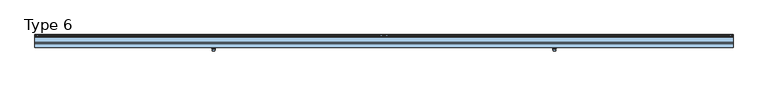
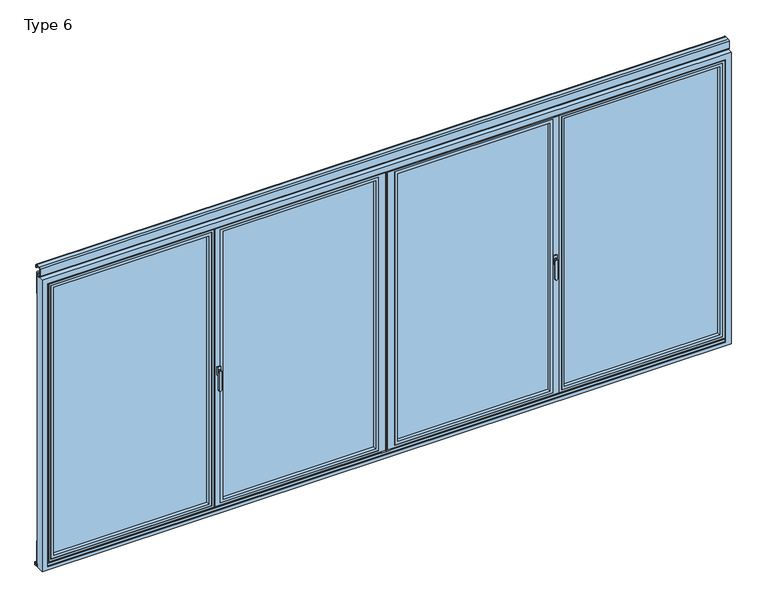
"""IFC4 building model written with IfcOpenShell, lengths in millimetres: window geometry, Type 6."""

from ifc_helpers import new_model, si_unit, point, frame, frame_2d, origin, place, context, project, spatial, polyline, circle_curve, trimmed, segment, composite_curve, outline, extrude, faceted_brep, source, transform, mapped, element, save
from ifc_brep_helpers import plane_surface, revolved_surface, advanced_brep


def type_6_7a0090e0(model_context):
    return source(origin(), model_context, "Body", "SolidModel", [
        advanced_brep(
        [(-1157.25, -4.0, 896.6867153), (-1157.25, -4.0, 1028.0), (-1175.25, -4.0, 1028.0), (-1175.25, -4.0, 896.6867153), (-1156.25, 3.5, 896.6867153), (-1176.25, 3.5, 896.6867153), (-1176.25, 3.5, 1028.0), (-1156.25, 3.5, 1028.0), (-1155.25, 11.0, 1028.0), (-1177.25, 11.0, 1028.0)],
        [
            (0, 1),
            (1, 2, circle_curve(frame((-1166.25, -4.0, 1028.0), z_axis=(0.0, -1.0, 0.0), x_axis=(-1.0, 0.0, 0.0)), 9.0)),
            (2, 3),
            (3, 0, circle_curve(frame((-1166.25, -4.0, 896.6867153), z_axis=(0.0, -1.0, 0.0), x_axis=(1.0, 0.0, 0.0)), 9.0)),
            (4, 5, circle_curve(frame((-1166.25, 3.5, 896.6867153), z_axis=(0.0, 1.0, 0.0), x_axis=(1.0, 0.0, 0.0)), 10.0)),
            (5, 6),
            (6, 7, circle_curve(frame((-1166.25, 3.5, 1028.0), z_axis=(0.0, -1.0, 0.0), x_axis=(-1.0, 0.0, 0.0)), 10.0)),
            (7, 4),
            (3, 5),
            (4, 0),
            (2, 6),
            (1, 7),
            (7, 6, circle_curve(frame((-1166.25, 3.5, 1028.0), z_axis=(0.0, -1.0, 0.0), x_axis=(-1.0, 0.0, 0.0)), 10.0)),
            (8, 9, circle_curve(frame((-1166.25, 11.0, 1028.0), z_axis=(0.0, 1.0, 0.0), x_axis=(-1.0, 0.0, 0.0)), 11.0)),
            (9, 8, circle_curve(frame((-1166.25, 11.0, 1028.0), z_axis=(0.0, 1.0, 0.0), x_axis=(1.0, 0.0, 0.0)), 11.0)),
            (9, 6),
            (7, 8),
        ],
        [
            plane_surface(frame((-1166.25, -4.0, 962.3433576), z_axis=(0.0, -1.0, 0.0), x_axis=(0.0, 0.0, -1.0))),
            plane_surface(frame((-1166.25, 3.5, 962.3433576), z_axis=(0.0, 1.0, 0.0), x_axis=(0.0, 0.0, -1.0))),
            revolved_surface(polyline([(-1175.25, -4.0, 896.6867153), (-1176.25, 3.5, 896.6867153)]), (-1166.25, -71.5, 896.6867153), (0.0, 1.0, 0.0)),
            plane_surface(frame((-1176.25, 3.5, 962.3433576), z_axis=(-0.9912279006826277, -0.1321637200910704, 0.0), x_axis=(0.0, 0.0, 1.0))),
            revolved_surface(polyline([(-1157.25, -4.0, 1028.0), (-1156.25, 3.5, 1028.0)]), (-1166.25, -71.5, 1028.0), (0.0, 1.0, 0.0)),
            plane_surface(frame((-1156.25, 3.5, 962.3433576), z_axis=(0.9912279006826291, -0.1321637200910603, 0.0), x_axis=(0.0, 0.0, -1.0))),
            plane_surface(frame((-1166.25, 11.0, 1028.0), z_axis=(0.0, 1.0, 0.0), x_axis=(0.0, 0.0, 1.0))),
            revolved_surface(polyline([(-1176.25, 3.5, 1028.0), (-1177.25, 11.0, 1028.0)]), (-1166.25, -71.5, 1028.0), (0.0, 1.0, 0.0)),
            revolved_surface(polyline([(-1156.25, 3.5, 1028.0), (-1155.25, 11.0, 1028.0)]), (-1166.25, -71.5, 1028.0), (0.0, 1.0, 0.0)),
        ],
        [
            (0, [[1, 2, 3, 4]]),
            (1, [[5, 6, 7, 8]]),
            (2, [[9, -5, 10, -4]]),
            (3, [[11, -6, -9, -3]]),
            (4, [[12, 13, -11, -2]]),
            (5, [[-10, -8, -12, -1]]),
            (6, [[14, 15]]),
            (7, [[16, -13, 17, -15]]),
            (8, [[-17, -7, -16, -14]]),
        ],
    ),
        extrude(outline(polyline([(-1178.25, 11.0), (-1178.25, 20.0), (-1154.25, 20.0), (-1154.25, 11.0), (-1178.25, 11.0)])), frame((0.0, 0.0, 998.0), z_axis=(0.0, 0.0, 1.0), x_axis=(1.0, 0.0, 0.0)), (0.0, 0.0, 1.0), 60.0),
        faceted_brep([(-1168.75, 80.0, 10.0), (-1168.75, 80.0, 35.0), (-1168.75, 80.0, 2070.0), (-1168.75, 80.0, 2095.0), (-9.0, 80.0, 2095.0), (-9.0, 80.0, 2070.0), (-9.0, 80.0, 35.0), (-9.0, 80.0, 10.0), (-79.0, 80.0, 72.5), (-79.0, 80.0, 2032.5), (-1131.25, 80.0, 2032.5), (-1131.25, 80.0, 72.5), (-1193.75, 20.0, 35.0), (-9.0, 20.0, 35.0), (-9.0, 20.0, 2070.0), (-1193.75, 20.0, 2070.0), (-1153.75, 20.0, 50.0), (-1153.75, 20.0, 2055.0), (-56.5, 20.0, 2055.0), (-56.5, 20.0, 50.0), (-56.5, 72.75, 2055.0), (-56.5, 72.75, 50.0), (-1153.75, 72.75, 50.0), (-1153.75, 72.75, 2055.0), (-1131.25, 72.75, 72.5), (-1131.25, 72.75, 2032.5), (-79.0, 72.75, 2032.5), (-79.0, 72.75, 72.5), (-9.0, 73.0, 10.0), (-1168.75, 73.0, 10.0), (-1193.75, 27.0, 35.0), (-1178.75, 27.0, 35.0), (-31.5, 27.0, 35.0), (-9.0, 27.0, 35.0), (-1168.75, 73.0, 25.0), (-1168.75, 73.0, 35.0), (-1168.75, 73.0, 2070.0), (-1168.75, 73.0, 2080.0), (-1168.75, 73.0, 2095.0), (-1178.75, 73.0, 2080.0), (-1178.75, 73.0, 25.0), (-31.5, 73.0, 25.0), (-31.5, 73.0, 35.0), (-31.5, 73.0, 2070.0), (-31.5, 73.0, 2080.0), (-31.5, 27.0, 2080.0), (-31.5, 27.0, 2070.0), (-31.5, 27.0, 25.0), (-1178.75, 27.0, 25.0), (-1178.75, 27.0, 2070.0), (-1178.75, 27.0, 2080.0), (-1193.75, 27.0, 2070.0), (-9.0, 27.0, 2070.0), (-9.0, 73.0, 35.0), (-9.0, 73.0, 2070.0), (-9.0, 73.0, 2095.0)], [[[0, 1, 2, 3, 4, 5, 6, 7], [8, 9, 10, 11]], [[12, 13, 14, 15], [16, 17, 18, 19]], [[19, 18, 20, 21]], [[21, 22, 16, 19]], [[22, 23, 17, 16]], [[21, 20, 23, 22], [24, 25, 26, 27]], [[27, 26, 9, 8]], [[8, 11, 24, 27]], [[11, 10, 25, 24]], [[23, 20, 18, 17]], [[10, 9, 26, 25]], [[28, 29, 0, 7]], [[30, 31, 32, 33, 13, 12]], [[29, 34, 35, 36, 37, 38, 3, 2, 1, 0]], [[39, 37, 36, 35, 34, 40]], [[41, 42, 43, 44, 45, 46, 32, 47]], [[47, 48, 40, 34, 41]], [[48, 31, 49, 50, 39, 40]], [[50, 45, 44, 37, 39]], [[51, 49, 31, 30]], [[33, 32, 46, 52]], [[14, 13, 33, 52]], [[50, 49, 46, 45]], [[47, 32, 31, 48]], [[29, 28, 53, 54, 55, 38, 37, 44, 43, 42, 41, 34]], [[4, 3, 38, 55]], [[14, 52, 46, 49, 51, 15]], [[55, 54, 53, 28, 7, 6, 5, 4]], [[12, 15, 51, 30]]]),
        extrude(outline(polyline([(-56.5, 72.75), (-56.5, 44.75), (-1153.75, 44.75), (-1153.75, 72.75), (-56.5, 72.75)])), frame((0.0, 0.0, 50.0), z_axis=(0.0, 0.0, 1.0), x_axis=(1.0, 0.0, 0.0)), (0.0, 0.0, 1.0), 2005.0),
        extrude(outline(polyline([(2055.0, -56.5), (2055.0, -1153.75), (50.0, -1153.75), (50.0, -56.5), (2055.0, -56.5)]), holes=[polyline([(2035.0009231, -1133.7509231), (2035.0009231, -76.4990769), (69.9990769, -76.4990769), (69.9990769, -1133.7509231), (2035.0009231, -1133.7509231)])]), frame((0.0, 20.5, 0.0), z_axis=(0.0, 1.0, 0.0), x_axis=(0.0, 0.0, 1.0)), (0.0, 0.0, 1.0), 24.25),
        extrude(outline(composite_curve([segment(trimmed(circle_curve(frame_2d((-20.0, 93.5)), 10.0), [point((-10.0, 93.5))], [point((-30.0, 93.5))], False, "CARTESIAN"), True, "CONTINUOUS"), segment(trimmed(circle_curve(frame_2d((-20.0, 93.5)), 10.0), [point((-30.0, 93.5))], [point((-10.0, 93.5))], False, "CARTESIAN"), True, "CONTINUOUS")], self_intersect=False)), frame((0.0, 0.0, -12.0640378), z_axis=(0.0, 0.0, 1.0), x_axis=(1.0, 0.0, 0.0)), (0.0, 0.0, 1.0), 166.5636122),
        extrude(outline(composite_curve([segment(trimmed(circle_curve(frame_2d((-20.0, 93.5)), 10.0), [point((-30.0, 93.5))], [point((-10.0, 93.5))], False, "CARTESIAN"), True, "CONTINUOUS"), segment(trimmed(circle_curve(frame_2d((-20.0, 93.5)), 10.0), [point((-10.0, 93.5))], [point((-30.0, 93.5))], False, "CARTESIAN"), True, "CONTINUOUS")], self_intersect=False)), frame((0.0, 0.0, 1972.5), z_axis=(0.0, 0.0, 1.0), x_axis=(1.0, 0.0, 0.0)), (0.0, 0.0, 1.0), 153.5),
        advanced_brep(
        [(1157.25, -4.0, 896.6867153), (1175.25, -4.0, 896.6867153), (1175.25, -4.0, 1028.0), (1157.25, -4.0, 1028.0), (1156.25, 3.5, 896.6867153), (1156.25, 3.5, 1028.0), (1176.25, 3.5, 1028.0), (1176.25, 3.5, 896.6867153), (1155.25, 11.0, 1028.0), (1177.25, 11.0, 1028.0)],
        [
            (0, 1, circle_curve(frame((1166.25, -4.0, 896.6867153), z_axis=(0.0, -1.0, 0.0), x_axis=(-1.0000000000000009, 0.0, 0.0)), 9.0)),
            (1, 2),
            (2, 3, circle_curve(frame((1166.25, -4.0, 1028.0), z_axis=(0.0, -1.0, 0.0), x_axis=(1.0000000000000009, 0.0, 0.0)), 9.0)),
            (3, 0),
            (4, 5),
            (5, 6, circle_curve(frame((1166.25, 3.5, 1028.0), z_axis=(0.0, -1.0, 0.0), x_axis=(1.0000000000000009, 0.0, 0.0)), 10.0)),
            (6, 7),
            (7, 4, circle_curve(frame((1166.25, 3.5, 896.6867153), z_axis=(0.0, 1.0, 0.0), x_axis=(-1.0000000000000009, 0.0, 0.0)), 10.0)),
            (0, 4),
            (7, 1),
            (6, 2),
            (6, 5, circle_curve(frame((1166.25, 3.5, 1028.0), z_axis=(0.0, -1.0, 0.0), x_axis=(1.0000000000000009, 0.0, 0.0)), 10.0)),
            (5, 3),
            (8, 9, circle_curve(frame((1166.25, 11.0, 1028.0), z_axis=(0.0, 1.0, 0.0), x_axis=(-1.0000000000000009, 0.0, 0.0)), 11.0)),
            (9, 8, circle_curve(frame((1166.25, 11.0, 1028.0), z_axis=(0.0, 1.0, 0.0), x_axis=(1.0000000000000009, 0.0, 0.0)), 11.0)),
            (8, 5),
            (6, 9),
        ],
        [
            plane_surface(frame((1166.25, -4.0, 962.3433576), z_axis=(0.0, -1.0, 0.0), x_axis=(0.0, 0.0, -1.0))),
            plane_surface(frame((1166.25, 3.5, 962.3433576), z_axis=(0.0, 1.0, 0.0), x_axis=(0.0, 0.0, -1.0))),
            revolved_surface(polyline([(1157.25, -4.0, 896.6867153), (1156.25, 3.5, 896.6867153)]), (1166.25, -71.5, 896.6867153), (0.0, 1.0000000000000009, 0.0)),
            plane_surface(frame((1176.25, 3.5, 962.3433576), z_axis=(0.9912279006826268, -0.1321637200910768, 0.0), x_axis=(0.0, 0.0, 1.0))),
            revolved_surface(polyline([(1175.25, -4.0, 1028.0), (1176.25, 3.5, 1028.0)]), (1166.25, -71.5, 1028.0), (0.0, 1.0000000000000009, 0.0)),
            plane_surface(frame((1156.25, 3.5, 962.3433576), z_axis=(-0.99122790068263, -0.13216372009105393, 0.0), x_axis=(0.0, 0.0, -1.0))),
            plane_surface(frame((1166.25, 11.0, 1028.0), z_axis=(0.0, 1.0, 0.0), x_axis=(0.0, 0.0, 1.0))),
            revolved_surface(polyline([(1176.25, 3.5, 1028.0), (1177.25, 11.0, 1028.0)]), (1166.25, -71.5, 1028.0), (0.0, 1.0000000000000009, 0.0)),
            revolved_surface(polyline([(1156.25, 3.5, 1028.0), (1155.25, 11.0, 1028.0)]), (1166.25, -71.5, 1028.0), (0.0, 1.0000000000000009, 0.0)),
        ],
        [
            (0, [[1, 2, 3, 4]]),
            (1, [[5, 6, 7, 8]]),
            (2, [[-1, 9, -8, 10]]),
            (3, [[-2, -10, -7, 11]]),
            (4, [[-3, -11, 12, 13]]),
            (5, [[-4, -13, -5, -9]]),
            (6, [[14, 15]]),
            (7, [[-14, 16, -12, 17]]),
            (8, [[-15, -17, -6, -16]]),
        ],
    ),
        extrude(outline(polyline([(1178.25, 11.0), (1154.25, 11.0), (1154.25, 20.0), (1178.25, 20.0), (1178.25, 11.0)])), frame((0.0, 0.0, 998.0), z_axis=(0.0, 0.0, 1.0), x_axis=(1.0, 0.0, 0.0)), (0.0, 0.0, 1.0), 60.0),
        faceted_brep([(1168.75, 80.0, 10.0), (9.0, 80.0, 10.0), (9.0, 80.0, 35.0), (9.0, 80.0, 2070.0), (9.0, 80.0, 2095.0), (1168.75, 80.0, 2095.0), (1168.75, 80.0, 2070.0), (1168.75, 80.0, 35.0), (79.0, 80.0, 72.5), (1131.25, 80.0, 72.5), (1131.25, 80.0, 2032.5), (79.0, 80.0, 2032.5), (1193.75, 20.0, 35.0), (1193.75, 20.0, 2070.0), (9.0, 20.0, 2070.0), (9.0, 20.0, 35.0), (1153.75, 20.0, 50.0), (56.5, 20.0, 50.0), (56.5, 20.0, 2055.0), (1153.75, 20.0, 2055.0), (56.5, 72.75, 50.0), (56.5, 72.75, 2055.0), (1153.75, 72.75, 50.0), (1153.75, 72.75, 2055.0), (1131.25, 72.75, 72.5), (79.0, 72.75, 72.5), (79.0, 72.75, 2032.5), (1131.25, 72.75, 2032.5), (9.0, 73.0, 10.0), (1168.75, 73.0, 10.0), (1193.75, 27.0, 35.0), (9.0, 27.0, 35.0), (31.5, 27.0, 35.0), (1178.75, 27.0, 35.0), (1178.75, 73.0, 2080.0), (1178.75, 73.0, 25.0), (1168.75, 73.0, 25.0), (1168.75, 73.0, 35.0), (1168.75, 73.0, 2070.0), (1168.75, 73.0, 2080.0), (31.5, 73.0, 25.0), (31.5, 27.0, 25.0), (31.5, 27.0, 2070.0), (31.5, 27.0, 2080.0), (31.5, 73.0, 2080.0), (31.5, 73.0, 2070.0), (31.5, 73.0, 35.0), (1178.75, 27.0, 25.0), (1178.75, 27.0, 2080.0), (1178.75, 27.0, 2070.0), (1193.75, 27.0, 2070.0), (9.0, 27.0, 2070.0), (1168.75, 73.0, 2095.0), (9.0, 73.0, 2095.0), (9.0, 73.0, 2070.0), (9.0, 73.0, 35.0)], [[[0, 1, 2, 3, 4, 5, 6, 7], [8, 9, 10, 11]], [[12, 13, 14, 15], [16, 17, 18, 19]], [[17, 20, 21, 18]], [[20, 17, 16, 22]], [[22, 16, 19, 23]], [[20, 22, 23, 21], [24, 25, 26, 27]], [[25, 8, 11, 26]], [[8, 25, 24, 9]], [[9, 24, 27, 10]], [[23, 19, 18, 21]], [[10, 27, 26, 11]], [[28, 1, 0, 29]], [[30, 12, 15, 31, 32, 33]], [[34, 35, 36, 37, 38, 39]], [[40, 41, 32, 42, 43, 44, 45, 46]], [[41, 40, 36, 35, 47]], [[47, 35, 34, 48, 49, 33]], [[41, 47, 33, 32]], [[48, 43, 42, 49]], [[48, 34, 39, 44, 43]], [[14, 13, 50, 49, 42, 51]], [[50, 30, 33, 49]], [[31, 51, 42, 32]], [[14, 51, 31, 15]], [[29, 0, 7, 6, 5, 52, 39, 38, 37, 36]], [[29, 36, 40, 46, 45, 44, 39, 52, 53, 54, 55, 28]], [[4, 53, 52, 5]], [[53, 4, 3, 2, 1, 28, 55, 54]], [[12, 30, 50, 13]]]),
        extrude(outline(polyline([(56.5, 72.75), (1153.75, 72.75), (1153.75, 44.75), (56.5, 44.75), (56.5, 72.75)])), frame((0.0, 0.0, 50.0), z_axis=(0.0, 0.0, 1.0), x_axis=(1.0, 0.0, 0.0)), (0.0, 0.0, 1.0), 2005.0),
        extrude(outline(polyline([(2055.0, 56.5), (50.0, 56.5), (50.0, 1153.75), (2055.0, 1153.75), (2055.0, 56.5)]), holes=[polyline([(2035.0009231, 1133.7509231), (69.9990769, 1133.7509231), (69.9990769, 76.4990769), (2035.0009231, 76.4990769), (2035.0009231, 1133.7509231)])]), frame((0.0, 20.5, 0.0), z_axis=(0.0, 1.0, 0.0), x_axis=(0.0, 0.0, 1.0)), (0.0, 0.0, 1.0), 24.25),
        extrude(outline(composite_curve([segment(trimmed(circle_curve(frame_2d((20.0, 93.5)), 10.0), [point((10.0, 93.5))], [point((30.0, 93.5))], False, "CARTESIAN"), True, "CONTINUOUS"), segment(trimmed(circle_curve(frame_2d((20.0, 93.5)), 10.0), [point((30.0, 93.5))], [point((10.0, 93.5))], False, "CARTESIAN"), True, "CONTINUOUS")], self_intersect=False)), frame((0.0, 0.0, -12.0640378), z_axis=(0.0, 0.0, 1.0), x_axis=(1.0, 0.0, 0.0)), (0.0, 0.0, 1.0), 166.5636122),
        extrude(outline(composite_curve([segment(trimmed(circle_curve(frame_2d((20.0, 93.5)), 10.0), [point((30.0, 93.5))], [point((10.0, 93.5))], False, "CARTESIAN"), True, "CONTINUOUS"), segment(trimmed(circle_curve(frame_2d((20.0, 93.5)), 10.0), [point((10.0, 93.5))], [point((30.0, 93.5))], False, "CARTESIAN"), True, "CONTINUOUS")], self_intersect=False)), frame((0.0, 0.0, 1972.5), z_axis=(0.0, 0.0, 1.0), x_axis=(1.0, 0.0, 0.0)), (0.0, 0.0, 1.0), 153.5),
        faceted_brep([(1173.75, 80.0, 10.0), (1173.75, 80.0, 35.0), (1173.75, 80.0, 2070.0), (1173.75, 80.0, 2095.0), (2370.0, 80.0, 2095.0), (2370.0, 80.0, 2070.0), (2370.0, 80.0, 35.0), (2370.0, 80.0, 10.0), (2307.5, 80.0, 72.5), (2307.5, 80.0, 2032.5), (1236.25, 80.0, 2032.5), (1236.25, 80.0, 72.5), (1198.75, 20.0, 35.0), (1203.75, 20.0, 35.0), (2340.0, 20.0, 35.0), (2345.0, 20.0, 35.0), (2345.0, 20.0, 2070.0), (2340.0, 20.0, 2070.0), (1203.75, 20.0, 2070.0), (1198.75, 20.0, 2070.0), (1213.75, 20.0, 50.0), (1213.75, 20.0, 2055.0), (2330.0, 20.0, 2055.0), (2330.0, 20.0, 50.0), (2330.0, 72.75, 2055.0), (2330.0, 72.75, 50.0), (1213.75, 72.75, 50.0), (1213.75, 72.75, 2055.0), (1236.25, 72.75, 72.5), (1236.25, 72.75, 2032.5), (2307.5, 72.75, 2032.5), (2307.5, 72.75, 72.5), (2370.0, 73.0, 10.0), (1173.75, 73.0, 10.0), (1198.75, 27.0, 35.0), (1203.75, 27.0, 35.0), (2340.0, 27.0, 35.0), (2345.0, 27.0, 35.0), (2355.0, 73.0, 25.0), (2355.0, 73.0, 35.0), (2355.0, 73.0, 2070.0), (2355.0, 73.0, 2080.0), (2355.0, 27.0, 2080.0), (2355.0, 27.0, 25.0), (1188.75, 27.0, 25.0), (1188.75, 73.0, 25.0), (1188.75, 27.0, 2080.0), (1188.75, 73.0, 2080.0), (1188.75, 73.0, 2070.0), (1188.75, 73.0, 35.0), (2370.0, 73.0, 2095.0), (2370.0, 73.0, 2070.0), (2370.0, 73.0, 35.0), (1173.75, 73.0, 35.0), (1173.75, 73.0, 2070.0), (1173.75, 73.0, 2095.0), (1198.75, 27.0, 2070.0), (1203.75, 27.0, 2070.0), (2340.0, 27.0, 2070.0), (2345.0, 27.0, 2070.0)], [[[0, 1, 2, 3, 4, 5, 6, 7], [8, 9, 10, 11]], [[12, 13, 14, 15, 16, 17, 18, 19], [20, 21, 22, 23]], [[23, 22, 24, 25]], [[25, 26, 20, 23]], [[26, 27, 21, 20]], [[25, 24, 27, 26], [28, 29, 30, 31]], [[31, 30, 9, 8]], [[8, 11, 28, 31]], [[11, 10, 29, 28]], [[27, 24, 22, 21]], [[10, 9, 30, 29]], [[32, 33, 0, 7]], [[15, 14, 13, 12, 34, 35, 36, 37]], [[38, 39, 40, 41, 42, 43]], [[43, 44, 45, 38]], [[44, 46, 47, 48, 49, 45]], [[46, 42, 41, 47]], [[50, 51, 52, 32, 7, 6, 5, 4]], [[33, 53, 54, 55, 3, 2, 1, 0]], [[43, 42, 46, 44], [37, 36, 35, 34, 56, 57, 58, 59]], [[19, 56, 34, 12]], [[15, 37, 59, 16]], [[32, 52, 51, 50, 55, 54, 53, 33], [45, 49, 48, 47, 41, 40, 39, 38]], [[4, 3, 55, 50]], [[19, 18, 17, 16, 59, 58, 57, 56]]]),
        extrude(outline(polyline([(2330.0, 72.75), (2330.0, 44.75), (1213.75, 44.75), (1213.75, 72.75), (2330.0, 72.75)])), frame((0.0, 0.0, 50.0), z_axis=(0.0, 0.0, 1.0), x_axis=(1.0, 0.0, 0.0)), (0.0, 0.0, 1.0), 2005.0),
        extrude(outline(polyline([(2055.0, 2330.0), (2055.0, 1213.75), (50.0, 1213.75), (50.0, 2330.0), (2055.0, 2330.0)]), holes=[polyline([(2035.0009231, 1233.7490769), (2035.0009231, 2310.0009231), (69.9990769, 2310.0009231), (69.9990769, 1233.7490769), (2035.0009231, 1233.7490769)])]), frame((0.0, 20.5, 0.0), z_axis=(0.0, 1.0, 0.0), x_axis=(0.0, 0.0, 1.0)), (0.0, 0.0, 1.0), 24.25),
        extrude(outline(composite_curve([segment(trimmed(circle_curve(frame_2d((2372.5, 93.5)), 10.0), [point((2382.5, 93.5))], [point((2362.5, 93.5))], False, "CARTESIAN"), True, "CONTINUOUS"), segment(trimmed(circle_curve(frame_2d((2372.5, 93.5)), 10.0), [point((2362.5, 93.5))], [point((2382.5, 93.5))], False, "CARTESIAN"), True, "CONTINUOUS")], self_intersect=False)), frame((0.0, 0.0, -12.0640378), z_axis=(0.0, 0.0, 1.0), x_axis=(1.0, 0.0, 0.0)), (0.0, 0.0, 1.0), 166.5636122),
        extrude(outline(composite_curve([segment(trimmed(circle_curve(frame_2d((2372.5, 93.5)), 10.0), [point((2362.5, 93.5))], [point((2382.5, 93.5))], False, "CARTESIAN"), True, "CONTINUOUS"), segment(trimmed(circle_curve(frame_2d((2372.5, 93.5)), 10.0), [point((2382.5, 93.5))], [point((2362.5, 93.5))], False, "CARTESIAN"), True, "CONTINUOUS")], self_intersect=False)), frame((0.0, 0.0, 1972.5), z_axis=(0.0, 0.0, 1.0), x_axis=(1.0, 0.0, 0.0)), (0.0, 0.0, 1.0), 153.5),
        faceted_brep([(-1173.75, 80.0, 10.0), (-2370.0, 80.0, 10.0), (-2370.0, 80.0, 35.0), (-2370.0, 80.0, 2070.0), (-2370.0, 80.0, 2095.0), (-1173.75, 80.0, 2095.0), (-1173.75, 80.0, 2070.0), (-1173.75, 80.0, 35.0), (-2307.5, 80.0, 72.5), (-1236.25, 80.0, 72.5), (-1236.25, 80.0, 2032.5), (-2307.5, 80.0, 2032.5), (-1198.75, 20.0, 35.0), (-1198.75, 20.0, 2070.0), (-1203.75, 20.0, 2070.0), (-2340.0, 20.0, 2070.0), (-2345.0, 20.0, 2070.0), (-2345.0, 20.0, 35.0), (-2340.0, 20.0, 35.0), (-1203.75, 20.0, 35.0), (-1213.75, 20.0, 50.0), (-2330.0, 20.0, 50.0), (-2330.0, 20.0, 2055.0), (-1213.75, 20.0, 2055.0), (-2330.0, 72.75, 50.0), (-2330.0, 72.75, 2055.0), (-1213.75, 72.75, 50.0), (-1213.75, 72.75, 2055.0), (-1236.25, 72.75, 72.5), (-2307.5, 72.75, 72.5), (-2307.5, 72.75, 2032.5), (-1236.25, 72.75, 2032.5), (-2370.0, 73.0, 10.0), (-1173.75, 73.0, 10.0), (-2345.0, 27.0, 35.0), (-2340.0, 27.0, 35.0), (-1203.75, 27.0, 35.0), (-1198.75, 27.0, 35.0), (-2355.0, 73.0, 25.0), (-2355.0, 27.0, 25.0), (-2355.0, 27.0, 2080.0), (-2355.0, 73.0, 2080.0), (-2355.0, 73.0, 2070.0), (-2355.0, 73.0, 35.0), (-1188.75, 73.0, 25.0), (-1188.75, 27.0, 25.0), (-1188.75, 73.0, 35.0), (-1188.75, 73.0, 2070.0), (-1188.75, 73.0, 2080.0), (-1188.75, 27.0, 2080.0), (-2345.0, 27.0, 2070.0), (-2340.0, 27.0, 2070.0), (-1203.75, 27.0, 2070.0), (-1198.75, 27.0, 2070.0), (-2370.0, 73.0, 2095.0), (-2370.0, 73.0, 35.0), (-2370.0, 73.0, 2070.0), (-1173.75, 73.0, 2095.0), (-1173.75, 73.0, 2070.0), (-1173.75, 73.0, 35.0)], [[[0, 1, 2, 3, 4, 5, 6, 7], [8, 9, 10, 11]], [[12, 13, 14, 15, 16, 17, 18, 19], [20, 21, 22, 23]], [[21, 24, 25, 22]], [[24, 21, 20, 26]], [[26, 20, 23, 27]], [[24, 26, 27, 25], [28, 29, 30, 31]], [[29, 8, 11, 30]], [[8, 29, 28, 9]], [[9, 28, 31, 10]], [[27, 23, 22, 25]], [[10, 31, 30, 11]], [[32, 1, 0, 33]], [[17, 34, 35, 36, 37, 12, 19, 18]], [[38, 39, 40, 41, 42, 43]], [[39, 38, 44, 45]], [[45, 44, 46, 47, 48, 49]], [[39, 45, 49, 40], [34, 50, 51, 52, 53, 37, 36, 35]], [[49, 48, 41, 40]], [[13, 12, 37, 53]], [[17, 16, 50, 34]], [[13, 53, 52, 51, 50, 16, 15, 14]], [[54, 4, 3, 2, 1, 32, 55, 56]], [[33, 0, 7, 6, 5, 57, 58, 59]], [[32, 33, 59, 58, 57, 54, 56, 55], [44, 38, 43, 42, 41, 48, 47, 46]], [[4, 54, 57, 5]]]),
        extrude(outline(polyline([(-2330.0, 72.75), (-1213.75, 72.75), (-1213.75, 44.75), (-2330.0, 44.75), (-2330.0, 72.75)])), frame((0.0, 0.0, 50.0), z_axis=(0.0, 0.0, 1.0), x_axis=(1.0, 0.0, 0.0)), (0.0, 0.0, 1.0), 2005.0),
        extrude(outline(polyline([(2055.0, -2330.0), (50.0, -2330.0), (50.0, -1213.75), (2055.0, -1213.75), (2055.0, -2330.0)]), holes=[polyline([(2035.0009231, -1233.7490769), (69.9990769, -1233.7490769), (69.9990769, -2310.0009231), (2035.0009231, -2310.0009231), (2035.0009231, -1233.7490769)])]), frame((0.0, 20.5, 0.0), z_axis=(0.0, 1.0, 0.0), x_axis=(0.0, 0.0, 1.0)), (0.0, 0.0, 1.0), 24.25),
        extrude(outline(composite_curve([segment(trimmed(circle_curve(frame_2d((-2372.5, 93.5)), 10.0), [point((-2382.5, 93.5))], [point((-2362.5, 93.5))], False, "CARTESIAN"), True, "CONTINUOUS"), segment(trimmed(circle_curve(frame_2d((-2372.5, 93.5)), 10.0), [point((-2362.5, 93.5))], [point((-2382.5, 93.5))], False, "CARTESIAN"), True, "CONTINUOUS")], self_intersect=False)), frame((0.0, 0.0, -12.0640378), z_axis=(0.0, 0.0, 1.0), x_axis=(1.0, 0.0, 0.0)), (0.0, 0.0, 1.0), 166.5636122),
        extrude(outline(composite_curve([segment(trimmed(circle_curve(frame_2d((-2372.5, 93.5)), 10.0), [point((-2362.5, 93.5))], [point((-2382.5, 93.5))], False, "CARTESIAN"), True, "CONTINUOUS"), segment(trimmed(circle_curve(frame_2d((-2372.5, 93.5)), 10.0), [point((-2382.5, 93.5))], [point((-2362.5, 93.5))], False, "CARTESIAN"), True, "CONTINUOUS")], self_intersect=False)), frame((0.0, 0.0, 1972.5), z_axis=(0.0, 0.0, 1.0), x_axis=(1.0, 0.0, 0.0)), (0.0, 0.0, 1.0), 153.5),
        extrude(outline(composite_curve([segment(polyline([(95.0, 2165.0), (91.0, 2165.0), (91.0, 2182.0)]), True, "CONTINUOUS"), segment(trimmed(circle_curve(frame_2d((87.0, 2182.0)), 4.0), [point((91.0, 2182.0))], [point((87.0, 2186.0))], True, "CARTESIAN"), True, "CONTINUOUS"), segment(polyline([(87.0, 2186.0), (53.0, 2186.0)]), True, "CONTINUOUS"), segment(trimmed(circle_curve(frame_2d((53.0, 2182.0)), 4.0), [point((53.0, 2186.0))], [point((49.0, 2182.0))], True, "CARTESIAN"), True, "CONTINUOUS"), segment(polyline([(49.0, 2182.0), (49.0, 2128.0)]), True, "CONTINUOUS"), segment(trimmed(circle_curve(frame_2d((53.0, 2128.0)), 4.0), [point((49.0, 2128.0))], [point((53.0, 2124.0))], True, "CARTESIAN"), True, "CONTINUOUS"), segment(polyline([(53.0, 2124.0), (80.0, 2124.0), (80.0, 2115.0), (58.5, 2115.0), (58.5, 2120.0), (53.0, 2120.0)]), True, "CONTINUOUS"), segment(trimmed(circle_curve(frame_2d((53.0, 2128.0)), 8.0), [point((53.0, 2120.0))], [point((45.0, 2128.0))], False, "CARTESIAN"), True, "CONTINUOUS"), segment(polyline([(45.0, 2128.0), (45.0, 2182.0)]), True, "CONTINUOUS"), segment(trimmed(circle_curve(frame_2d((53.0, 2182.0)), 8.0), [point((45.0, 2182.0))], [point((53.0, 2190.0))], False, "CARTESIAN"), True, "CONTINUOUS"), segment(polyline([(53.0, 2190.0), (87.0, 2190.0)]), True, "CONTINUOUS"), segment(trimmed(circle_curve(frame_2d((87.0, 2182.0)), 8.0), [point((87.0, 2190.0))], [point((95.0, 2182.0))], False, "CARTESIAN"), True, "CONTINUOUS"), segment(polyline([(95.0, 2182.0), (95.0, 2165.0)]), True, "CONTINUOUS")], self_intersect=False)), frame((-2390.0, 0.0, 0.0), z_axis=(1.0, 0.0, 0.0), x_axis=(0.0, 1.0, 0.0)), (0.0, 0.0, 1.0), 4780.0),
        extrude(outline(polyline([(82.5218516, 1.0), (82.5218516, -19.0), (103.5218516, -19.0), (103.5218516, 1.0), (106.5218516, 1.0), (106.5218516, -22.0), (80.0, -22.0), (80.0, 1.0), (82.5218516, 1.0)])), frame((-2390.0, 0.0, 0.0), z_axis=(1.0, 0.0, 0.0), x_axis=(0.0, 1.0, 0.0)), (0.0, 0.0, 1.0), 4780.0),
        extrude(outline(polyline([(0.0, 57.5), (0.0, 73.0), (31.5, 73.0), (31.5, 27.0), (0.0, 27.0), (0.0, 42.5), (8.002732, 42.5), (8.002732, 57.5), (0.0, 57.5)])), frame((0.0, 0.0, 18.5), z_axis=(0.0, 0.0, 1.0), x_axis=(1.0, 0.0, 0.0)), (0.0, 0.0, 1.0), 2071.5),
        extrude(outline(polyline([(0.0, 57.5), (-8.002732, 57.5), (-8.002732, 42.5), (0.0, 42.5), (0.0, 27.0), (-31.5, 27.0), (-31.5, 73.0), (0.0, 73.0), (0.0, 57.5)])), frame((0.0, 0.0, 18.5), z_axis=(0.0, 0.0, 1.0), x_axis=(1.0, 0.0, 0.0)), (0.0, 0.0, 1.0), 2071.5),
        faceted_brep([(2390.0, 80.0, -22.0), (2390.0, 20.0, -22.0), (-2390.0, 20.0, -22.0), (-2390.0, 80.0, -22.0), (2390.0, 20.0, 2115.0), (2390.0, 80.0, 2115.0), (-2390.0, 20.0, 2115.0), (2350.0, 20.0, 2075.0), (2350.0, 20.0, 2.0), (-2350.0, 20.0, 2.0), (-2350.0, 20.0, 2075.0), (-2390.0, 80.0, 2115.0), (-2375.0, 80.0, 2100.0), (-2375.0, 80.0, 2.0), (2375.0, 80.0, 2.0), (2375.0, 80.0, 2100.0), (-2375.0, 73.0, 2100.0), (-2375.0, 73.0, 2.0), (2375.0, 73.0, 2.0), (2375.0, 73.0, 2100.0), (2350.0, 27.0, 2075.0), (2350.0, 27.0, 18.5), (2350.0, 23.5, 8.0), (2350.0, 23.5, 2.0), (-2350.0, 27.0, 2075.0), (-2350.0, 23.5, 2.0), (-2350.0, 23.5, 8.0), (-2350.0, 27.0, 18.5), (-2365.0, 27.0, 18.5), (-2365.0, 27.0, 2090.0), (2365.0, 27.0, 2090.0), (2365.0, 27.0, 18.5), (2365.0, 73.0, 2090.0), (2365.0, 73.0, 14.5), (2365.0, 37.849718, 14.5), (2365.0, 33.0276133, 18.5), (-2365.0, 73.0, 2090.0), (-2365.0, 33.0276133, 18.5), (-2365.0, 37.849718, 14.5), (-2365.0, 73.0, 14.5)], [[[0, 1, 2, 3]], [[4, 1, 0, 5]], [[2, 1, 4, 6], [7, 8, 9, 10]], [[2, 6, 11, 3]], [[0, 3, 11, 5], [12, 13, 14, 15]], [[12, 16, 17, 13]], [[18, 19, 15, 14]], [[7, 20, 21, 22, 23, 8]], [[24, 10, 9, 25, 26, 27]], [[20, 24, 27, 28, 29, 30, 31, 21]], [[30, 32, 33, 34, 35, 31]], [[36, 29, 28, 37, 38, 39]], [[16, 19, 18, 17], [32, 36, 39, 33]], [[12, 15, 19, 16]], [[5, 11, 6, 4]], [[7, 10, 24, 20]], [[30, 29, 36, 32]], [[14, 13, 17, 18]], [[9, 8, 23, 25]], [[21, 27, 26, 22]], [[25, 23, 22, 26]], [[27, 21, 31, 35, 37, 28]], [[33, 39, 38, 34]], [[37, 35, 34, 38]]]),
    ])


if __name__ == "__main__":
    model = new_model("IFC4")
    model_context = context("Model", 3, world=origin())
    ifc_project = project(units=[si_unit("LENGTHUNIT", "METRE", prefix="MILLI")], contexts=[model_context])
    site = spatial("IfcSite", under=ifc_project)
    building = spatial("IfcBuilding", under=site)
    placement = place(None, origin())
    type_6_shape = type_6_7a0090e0(model_context)
    element("IfcWindow", 1, ObjectType="Type 6", at=placement, inside=building, context=model_context, shape_type="MappedRepresentation", body=[
        mapped(type_6_shape, transform((0.0, 0.0, 0.0), x_axis=(1.0, 0.0, 0.0), y_axis=(0.0, 1.0, 0.0), z_axis=(0.0, 0.0, 1.0))),
    ])
    save(model, "model.ifc")
